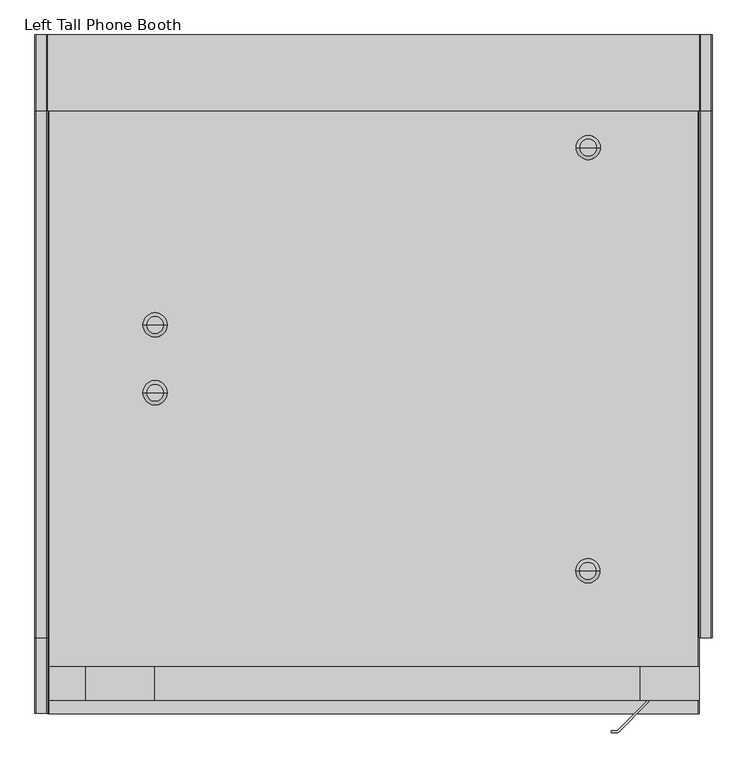
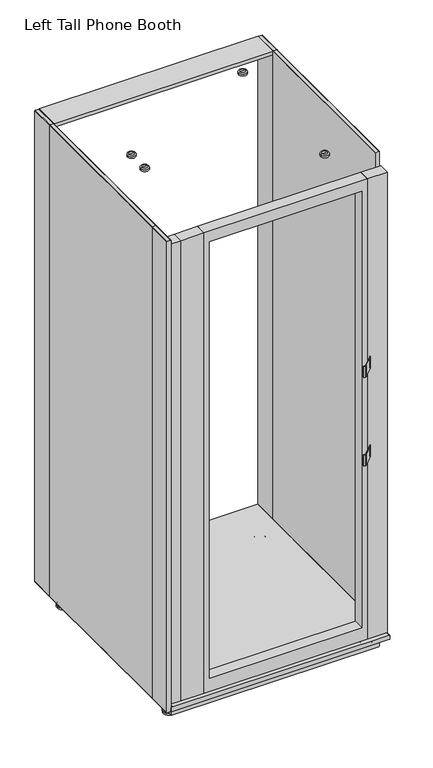
"""IFC4 building model written with IfcOpenShell, lengths in millimetres: furniture geometry, Left Tall Phone Booth."""

from ifc_helpers import new_model, si_unit, point, frame, frame_2d, origin, place, context, project, spatial, polyline, circle_curve, ellipse_curve, trimmed, segment, composite_curve, outline, extrude, source, transform, mapped, element, save
from ifc_brep_helpers import plane_surface, cylinder_surface, revolved_surface, advanced_brep


def left_tall_phone_booth_4348a2ec(model_context):
    return source(origin(), model_context, "Body", "SolidModel", [
        extrude(outline(polyline([(93.8931782, 891.7083189), (2224.9999538, 891.7083189), (2224.9999538, 176.4867809), (93.8931782, 176.4867809), (93.8931782, 891.7083189)]), holes=[polyline([(2176.500041, 200.1951039), (2176.500041, 867.9999959), (155.2071115, 867.9999959), (155.2071115, 200.1951039), (2176.500041, 200.1951039)])]), frame((0.0, -980.5308133, 0.0), z_axis=(0.0, 1.0, 0.0), x_axis=(0.0, 0.0, 1.0)), (0.0, 0.0, 1.0), 49.5308129),
        extrude(outline(composite_curve([segment(polyline([(858.700787, -1024.6936779), (900.7080733, -982.6863916)]), True, "CONTINUOUS"), segment(trimmed(circle_curve(frame_2d((898.7961532, -980.7744716)), 2.7038632), [point((900.7080733, -982.6863916))], [point((901.5000165, -980.7744716))], True, "CARTESIAN"), True, "CONTINUOUS"), segment(polyline([(901.5000165, -980.7744716), (901.5000165, -946.5499967), (904.5000225, -946.5499967), (904.5000225, -980.5447215)]), True, "CONTINUOUS"), segment(trimmed(circle_curve(frame_2d((898.1872512, -980.5447215)), 6.3127714), [point((904.5000225, -980.5447215))], [point((902.6510546, -985.0085249))], False, "CARTESIAN"), True, "CONTINUOUS"), segment(polyline([(902.6510546, -985.0085249), (861.1523046, -1026.507275)]), True, "CONTINUOUS"), segment(trimmed(circle_curve(frame_2d((856.0847848, -1021.4397552)), 7.1665551), [point((861.1523046, -1026.507275))], [point((856.0847848, -1028.6063103))], False, "CARTESIAN"), True, "CONTINUOUS"), segment(polyline([(856.0847848, -1028.6063103), (849.1983482, -1028.6063103), (849.1983482, -1025.4499912), (856.874885, -1025.4499912)]), True, "CONTINUOUS"), segment(trimmed(circle_curve(frame_2d((856.874885, -1022.8677759)), 2.5822153), [point((856.874885, -1025.4499912))], [point((858.700787, -1024.6936779))], True, "CARTESIAN"), True, "CONTINUOUS")], self_intersect=False)), frame((0.0, 0.0, 1348.7294902), z_axis=(0.0, 0.0, 1.0), x_axis=(1.0, 0.0, 0.0)), (0.0, 0.0, 1.0), 50.9449661),
        extrude(outline(composite_curve([segment(polyline([(858.700787, -1024.6936779), (900.7080733, -982.6863916)]), True, "CONTINUOUS"), segment(trimmed(circle_curve(frame_2d((898.7961532, -980.7744716)), 2.7038632), [point((900.7080733, -982.6863916))], [point((901.5000165, -980.7744716))], True, "CARTESIAN"), True, "CONTINUOUS"), segment(polyline([(901.5000165, -980.7744716), (901.5000165, -946.5499967), (904.5000225, -946.5499967), (904.5000225, -980.5447215)]), True, "CONTINUOUS"), segment(trimmed(circle_curve(frame_2d((898.1872512, -980.5447215)), 6.3127714), [point((904.5000225, -980.5447215))], [point((902.6510546, -985.0085249))], False, "CARTESIAN"), True, "CONTINUOUS"), segment(polyline([(902.6510546, -985.0085249), (861.1523046, -1026.507275)]), True, "CONTINUOUS"), segment(trimmed(circle_curve(frame_2d((856.0847848, -1021.4397552)), 7.1665551), [point((861.1523046, -1026.507275))], [point((856.0847848, -1028.6063103))], False, "CARTESIAN"), True, "CONTINUOUS"), segment(polyline([(856.0847848, -1028.6063103), (849.1983482, -1028.6063103), (849.1983482, -1025.4499912), (856.874885, -1025.4499912)]), True, "CONTINUOUS"), segment(trimmed(circle_curve(frame_2d((856.874885, -1022.8677759)), 2.5822153), [point((856.874885, -1025.4499912))], [point((858.700787, -1024.6936779))], True, "CARTESIAN"), True, "CONTINUOUS")], self_intersect=False)), frame((0.0, 0.0, 938.6050768), z_axis=(0.0, 0.0, 1.0), x_axis=(1.0, 0.0, 0.0)), (0.0, 0.0, 1.0), 50.9449661),
        extrude(outline(polyline([(979.0080786, -931.0000005), (979.0080786, -980.5308133), (891.7083189, -980.5308133), (891.7083189, -931.0000005), (979.0080786, -931.0000005)])), frame((0.0, 0.0, 93.8931782), z_axis=(0.0, 0.0, 1.0), x_axis=(1.0, 0.0, 0.0)), (0.0, 0.0, 1.0), 2131.1067756),
        extrude(outline(polyline([(176.4867809, -931.0000005), (176.4867809, -980.5308133), (75.1951039, -980.5308133), (75.1951039, -931.0000005), (176.4867809, -931.0000005)])), frame((0.0, 0.0, 93.8931782), z_axis=(0.0, 0.0, 1.0), x_axis=(1.0, 0.0, 0.0)), (0.0, 0.0, 1.0), 2131.1067756),
        extrude(outline(polyline([(75.1951039, -931.0000005), (75.1951039, -980.5308133), (21.0000149, -980.5308133), (21.0000149, -931.0000005), (75.1951039, -931.0000005)])), frame((0.0, 0.0, 93.8931782), z_axis=(0.0, 0.0, 1.0), x_axis=(1.0, 0.0, 0.0)), (0.0, 0.0, 1.0), 2131.1067756),
        advanced_brep(
        [(159.282524, -427.5, 2253.2305415), (194.8386457, -427.5, 2253.2305415), (194.8386457, -427.5, 2247.199729), (159.282524, -427.5, 2247.199729), (164.282524, -427.5, 2258.2305415), (189.8386457, -427.5, 2258.2305415), (177.0605849, -427.5, 2258.2305415), (177.0605849, -427.5, 2247.199729)],
        [
            (0, 1, circle_curve(frame((177.0605849, -427.5, 2253.2305415), z_axis=(0.0, 0.0, -1.0), x_axis=(1.0, 0.0, 0.0)), 17.7780609)),
            (1, 2),
            (2, 3, circle_curve(frame((177.0605849, -427.5, 2247.199729), z_axis=(0.0, 0.0, 1.0), x_axis=(1.0, 0.0, 0.0)), 17.7780609)),
            (3, 0),
            (1, 0, circle_curve(frame((177.0605849, -427.5, 2253.2305415), z_axis=(0.0, 0.0, -1.0), x_axis=(1.0, 0.0, 0.0)), 17.7780609)),
            (3, 2, circle_curve(frame((177.0605849, -427.5, 2247.199729), z_axis=(0.0, 0.0, 1.0), x_axis=(1.0, 0.0, 0.0)), 17.7780609)),
            (0, 4, circle_curve(frame((164.282524, -427.5, 2253.2305415), z_axis=(0.0, 1.0, 0.0), x_axis=(-1.0, 0.0, 0.0)), 5.0)),
            (4, 5, circle_curve(frame((177.0605849, -427.5, 2258.2305415), z_axis=(0.0, 0.0, -1.0), x_axis=(1.0, 0.0, 0.0)), 12.7780609)),
            (5, 1, circle_curve(frame((189.8386457, -427.5, 2253.2305415), z_axis=(0.0, 1.0, 0.0), x_axis=(1.0, 0.0, 0.0)), 5.0)),
            (5, 4, circle_curve(frame((177.0605849, -427.5, 2258.2305415), z_axis=(0.0, 0.0, -1.0), x_axis=(1.0, 0.0, 0.0)), 12.7780609)),
            (4, 6),
            (6, 5),
            (2, 7),
            (7, 3),
        ],
        [
            cylinder_surface(frame((177.0605849, -427.5, 2250.2287734), z_axis=(0.0, 0.0, 1.0), x_axis=(1.0, 0.0, 0.0)), 17.7780609),
            revolved_surface(trimmed(ellipse_curve(frame((189.8386457, -427.5, 2253.2305415), z_axis=(0.0, -1.0, 0.0), x_axis=(1.0, 0.0, 0.0)), 5.0, 5.0), [point((194.8386457, -427.5, 2253.2305415))], [point((189.8386457, -427.5, 2258.2305415))], True, "CARTESIAN"), (177.0605849, -427.5, 2250.2287734), (0.0, 0.0, 1.0)),
            plane_surface(frame((177.0605849, -427.5, 2258.2305415), z_axis=(0.0, 0.0, 1.0), x_axis=(1.0, 0.0, 0.0))),
            plane_surface(frame((177.0605849, -427.5, 2247.199729), z_axis=(0.0, 0.0, -1.0), x_axis=(1.0, 0.0, 0.0))),
        ],
        [
            (0, [[1, 2, 3, 4]]),
            (0, [[-2, 5, -4, 6]]),
            (1, [[-1, 7, 8, 9]]),
            (1, [[-5, -9, 10, -7]]),
            (2, [[-8, 11, 12]]),
            (2, [[-10, -12, -11]]),
            (3, [[-3, 13, 14]]),
            (3, [[-6, -14, -13]]),
        ],
    ),
        advanced_brep(
        [(159.282524, -527.5, 2253.2305415), (194.8386457, -527.5, 2253.2305415), (194.8386457, -527.5, 2246.6584288), (159.282524, -527.5, 2246.6584288), (164.282524, -527.5, 2258.2305415), (189.8386457, -527.5, 2258.2305415), (177.0605849, -527.5, 2258.2305415), (177.0605849, -527.5, 2246.6584288)],
        [
            (0, 1, circle_curve(frame((177.0605849, -527.5, 2253.2305415), z_axis=(0.0, 0.0, -1.0), x_axis=(1.0, 0.0, 0.0)), 17.7780609)),
            (1, 2),
            (2, 3, circle_curve(frame((177.0605849, -527.5, 2246.6584288), z_axis=(0.0, 0.0, 1.0), x_axis=(1.0, 0.0, 0.0)), 17.7780609)),
            (3, 0),
            (1, 0, circle_curve(frame((177.0605849, -527.5, 2253.2305415), z_axis=(0.0, 0.0, -1.0), x_axis=(1.0, 0.0, 0.0)), 17.7780609)),
            (3, 2, circle_curve(frame((177.0605849, -527.5, 2246.6584288), z_axis=(0.0, 0.0, 1.0), x_axis=(1.0, 0.0, 0.0)), 17.7780609)),
            (0, 4, circle_curve(frame((164.282524, -527.5, 2253.2305415), z_axis=(0.0, 1.0, 0.0), x_axis=(-1.0, 0.0, 0.0)), 5.0)),
            (4, 5, circle_curve(frame((177.0605849, -527.5, 2258.2305415), z_axis=(0.0, 0.0, -1.0), x_axis=(1.0, 0.0, 0.0)), 12.7780609)),
            (5, 1, circle_curve(frame((189.8386457, -527.5, 2253.2305415), z_axis=(0.0, 1.0, 0.0), x_axis=(1.0, 0.0, 0.0)), 5.0)),
            (5, 4, circle_curve(frame((177.0605849, -527.5, 2258.2305415), z_axis=(0.0, 0.0, -1.0), x_axis=(1.0, 0.0, 0.0)), 12.7780609)),
            (4, 6),
            (6, 5),
            (2, 7),
            (7, 3),
        ],
        [
            cylinder_surface(frame((177.0605849, -527.5, 2250.2287734), z_axis=(0.0, 0.0, 1.0), x_axis=(1.0, 0.0, 0.0)), 17.7780609),
            revolved_surface(trimmed(ellipse_curve(frame((189.8386457, -527.5, 2253.2305415), z_axis=(0.0, -1.0, 0.0), x_axis=(1.0, 0.0, 0.0)), 5.0, 5.0), [point((194.8386457, -527.5, 2253.2305415))], [point((189.8386457, -527.5, 2258.2305415))], True, "CARTESIAN"), (177.0605849, -527.5, 2250.2287734), (0.0, 0.0, 1.0)),
            plane_surface(frame((177.0605849, -527.5, 2258.2305415), z_axis=(0.0, 0.0, 1.0), x_axis=(1.0, 0.0, 0.0))),
            plane_surface(frame((177.0605849, -527.5, 2246.6584288), z_axis=(0.0, 0.0, -1.0), x_axis=(1.0, 0.0, 0.0))),
        ],
        [
            (0, [[1, 2, 3, 4]]),
            (0, [[-2, 5, -4, 6]]),
            (1, [[-1, 7, 8, 9]]),
            (1, [[-5, -9, 10, -7]]),
            (2, [[-8, 11, 12]]),
            (2, [[-10, -12, -11]]),
            (3, [[-3, 13, 14]]),
            (3, [[-6, -14, -13]]),
        ],
    ),
        advanced_brep(
        [(797.712596, -165.9790359, 2253.2305415), (833.2687177, -165.9790359, 2253.2305415), (833.2687177, -165.9790359, 2246.4547116), (797.712596, -165.9790359, 2246.4547116), (802.712596, -165.9790359, 2258.2305415), (828.2687177, -165.9790359, 2258.2305415), (815.4906568, -165.9790359, 2258.2305415), (815.4906568, -165.9790359, 2246.4547116)],
        [
            (0, 1, circle_curve(frame((815.4906568, -165.9790359, 2253.2305415), z_axis=(0.0, 0.0, -1.0), x_axis=(1.0, 0.0, 0.0)), 17.7780609)),
            (1, 2),
            (2, 3, circle_curve(frame((815.4906568, -165.9790359, 2246.4547116), z_axis=(0.0, 0.0, 1.0), x_axis=(1.0, 0.0, 0.0)), 17.7780609)),
            (3, 0),
            (1, 0, circle_curve(frame((815.4906568, -165.9790359, 2253.2305415), z_axis=(0.0, 0.0, -1.0), x_axis=(1.0, 0.0, 0.0)), 17.7780609)),
            (3, 2, circle_curve(frame((815.4906568, -165.9790359, 2246.4547116), z_axis=(0.0, 0.0, 1.0), x_axis=(1.0, 0.0, 0.0)), 17.7780609)),
            (0, 4, circle_curve(frame((802.712596, -165.9790359, 2253.2305415), z_axis=(0.0, 1.0, 0.0), x_axis=(-1.0, 0.0, 0.0)), 5.0)),
            (4, 5, circle_curve(frame((815.4906568, -165.9790359, 2258.2305415), z_axis=(0.0, 0.0, -1.0), x_axis=(1.0, 0.0, 0.0)), 12.7780609)),
            (5, 1, circle_curve(frame((828.2687177, -165.9790359, 2253.2305415), z_axis=(0.0, 1.0, 0.0), x_axis=(1.0, 0.0, 0.0)), 5.0)),
            (5, 4, circle_curve(frame((815.4906568, -165.9790359, 2258.2305415), z_axis=(0.0, 0.0, -1.0), x_axis=(1.0, 0.0, 0.0)), 12.7780609)),
            (4, 6),
            (6, 5),
            (2, 7),
            (7, 3),
        ],
        [
            cylinder_surface(frame((815.4906568, -165.9790359, 2250.2287734), z_axis=(0.0, 0.0, 1.0), x_axis=(1.0, 0.0, 0.0)), 17.7780609),
            revolved_surface(trimmed(ellipse_curve(frame((828.2687177, -165.9790359, 2253.2305415), z_axis=(0.0, -1.0, 0.0), x_axis=(1.0, 0.0, 0.0)), 5.0, 5.0), [point((833.2687177, -165.9790359, 2253.2305415))], [point((828.2687177, -165.9790359, 2258.2305415))], True, "CARTESIAN"), (815.4906568, -165.9790359, 2250.2287734), (0.0, 0.0, 1.0)),
            plane_surface(frame((815.4906568, -165.9790359, 2258.2305415), z_axis=(0.0, 0.0, 1.0), x_axis=(1.0, 0.0, 0.0))),
            plane_surface(frame((815.4906568, -165.9790359, 2246.4547116), z_axis=(0.0, 0.0, -1.0), x_axis=(1.0, 0.0, 0.0))),
        ],
        [
            (0, [[1, 2, 3, 4]]),
            (0, [[-2, 5, -4, 6]]),
            (1, [[-1, 7, 8, 9]]),
            (1, [[-5, -9, 10, -7]]),
            (2, [[-8, 11, 12]]),
            (2, [[-10, -12, -11]]),
            (3, [[-3, 13, 14]]),
            (3, [[-6, -14, -13]]),
        ],
    ),
        advanced_brep(
        [(797.1029537, -790.0037672, 2253.2305415), (832.6590755, -790.0037672, 2253.2305415), (832.6590755, -790.0037672, 2246.0933666), (797.1029537, -790.0037672, 2246.0933666), (802.1029537, -790.0037672, 2258.2305415), (827.6590755, -790.0037672, 2258.2305415), (814.8810146, -790.0037672, 2258.2305415), (814.8810146, -790.0037672, 2246.0933666)],
        [
            (0, 1, circle_curve(frame((814.8810146, -790.0037672, 2253.2305415), z_axis=(0.0, 0.0, -1.0), x_axis=(1.0, 0.0, 0.0)), 17.7780609)),
            (1, 2),
            (2, 3, circle_curve(frame((814.8810146, -790.0037672, 2246.0933666), z_axis=(0.0, 0.0, 1.0), x_axis=(1.0, 0.0, 0.0)), 17.7780609)),
            (3, 0),
            (1, 0, circle_curve(frame((814.8810146, -790.0037672, 2253.2305415), z_axis=(0.0, 0.0, -1.0), x_axis=(1.0, 0.0, 0.0)), 17.7780609)),
            (3, 2, circle_curve(frame((814.8810146, -790.0037672, 2246.0933666), z_axis=(0.0, 0.0, 1.0), x_axis=(1.0, 0.0, 0.0)), 17.7780609)),
            (0, 4, circle_curve(frame((802.1029537, -790.0037672, 2253.2305415), z_axis=(0.0, 1.0, 0.0), x_axis=(-1.0, 0.0, 0.0)), 5.0)),
            (4, 5, circle_curve(frame((814.8810146, -790.0037672, 2258.2305415), z_axis=(0.0, 0.0, -1.0), x_axis=(1.0, 0.0, 0.0)), 12.7780609)),
            (5, 1, circle_curve(frame((827.6590755, -790.0037672, 2253.2305415), z_axis=(0.0, 1.0, 0.0), x_axis=(1.0, 0.0, 0.0)), 5.0)),
            (5, 4, circle_curve(frame((814.8810146, -790.0037672, 2258.2305415), z_axis=(0.0, 0.0, -1.0), x_axis=(1.0, 0.0, 0.0)), 12.7780609)),
            (4, 6),
            (6, 5),
            (2, 7),
            (7, 3),
        ],
        [
            cylinder_surface(frame((814.8810146, -790.0037672, 2250.2287734), z_axis=(0.0, 0.0, 1.0), x_axis=(1.0, 0.0, 0.0)), 17.7780609),
            revolved_surface(trimmed(ellipse_curve(frame((827.6590755, -790.0037672, 2253.2305415), z_axis=(0.0, -1.0, 0.0), x_axis=(1.0, 0.0, 0.0)), 5.0, 5.0), [point((832.6590755, -790.0037672, 2253.2305415))], [point((827.6590755, -790.0037672, 2258.2305415))], True, "CARTESIAN"), (814.8810146, -790.0037672, 2250.2287734), (0.0, 0.0, 1.0)),
            plane_surface(frame((814.8810146, -790.0037672, 2258.2305415), z_axis=(0.0, 0.0, 1.0), x_axis=(1.0, 0.0, 0.0))),
            plane_surface(frame((814.8810146, -790.0037672, 2246.0933666), z_axis=(0.0, 0.0, -1.0), x_axis=(1.0, 0.0, 0.0))),
        ],
        [
            (0, [[1, 2, 3, 4]]),
            (0, [[-2, 5, -4, 6]]),
            (1, [[-1, 7, 8, 9]]),
            (1, [[-5, -9, 10, -7]]),
            (2, [[-8, 11, 12]]),
            (2, [[-10, -12, -11]]),
            (3, [[-3, 13, 14]]),
            (3, [[-6, -14, -13]]),
        ],
    ),
        extrude(outline(composite_curve([segment(polyline([(93.8931782, 977.06721), (93.8931782, 20.9919174)]), True, "CONTINUOUS"), segment(trimmed(circle_curve(frame_2d((91.8931782, 20.9919174)), 2.0), [point((93.8931782, 20.9919174))], [point((91.8931782, 18.9919174))], False, "CARTESIAN"), True, "CONTINUOUS"), segment(polyline([(91.8931782, 18.9919174), (77.0000011, 18.9919174)]), True, "CONTINUOUS"), segment(trimmed(circle_curve(frame_2d((77.0000011, 20.9919174)), 2.0), [point((77.0000011, 18.9919174))], [point((75.0000011, 20.9919174))], False, "CARTESIAN"), True, "CONTINUOUS"), segment(polyline([(75.0000011, 20.9919174), (75.0000011, 977.06721)]), True, "CONTINUOUS"), segment(trimmed(circle_curve(frame_2d((77.0000011, 977.06721)), 2.0), [point((75.0000011, 977.06721))], [point((77.0000011, 979.06721))], False, "CARTESIAN"), True, "CONTINUOUS"), segment(polyline([(77.0000011, 979.06721), (91.8931782, 979.06721)]), True, "CONTINUOUS"), segment(trimmed(circle_curve(frame_2d((91.8931782, 977.06721)), 2.0), [point((91.8931782, 979.06721))], [point((93.8931782, 977.06721))], False, "CARTESIAN"), True, "CONTINUOUS")], self_intersect=False)), frame((0.0, -1000.0000005, 0.0), z_axis=(0.0, 1.0, 0.0), x_axis=(0.0, 0.0, 1.0)), (0.0, 0.0, 1.0), 1000.0000005),
        extrude(outline(composite_curve([segment(polyline([(74.9138854, 955.9761665), (74.9138854, 41.9999957), (26.9201986, 41.9999957)]), True, "CONTINUOUS"), segment(trimmed(circle_curve(frame_2d((26.9201986, 43.9072422)), 1.9072465), [point((26.9201986, 41.9999957))], [point((25.012952, 43.9072422))], False, "CARTESIAN"), True, "CONTINUOUS"), segment(polyline([(25.012952, 43.9072422), (25.012952, 954.0849859)]), True, "CONTINUOUS"), segment(trimmed(circle_curve(frame_2d((26.9041327, 954.0849859)), 1.8911806), [point((25.012952, 954.0849859))], [point((26.9041327, 955.9761665))], False, "CARTESIAN"), True, "CONTINUOUS"), segment(polyline([(26.9041327, 955.9761665), (74.9138854, 955.9761665)]), True, "CONTINUOUS")], self_intersect=False)), frame((0.0, -960.4546577, 0.0), z_axis=(0.0, 1.0, 0.0), x_axis=(0.0, 0.0, 1.0)), (0.0, 0.0, 1.0), 917.5265293),
        extrude(outline(polyline([(979.0080786, 0.0), (979.0080786, -112.0676928), (18.9919174, -112.0676928), (18.9919174, 0.0), (979.0080786, 0.0)])), frame((0.0, 0.0, 2242.7287734), z_axis=(0.0, 0.0, 1.0), x_axis=(1.0, 0.0, 0.0)), (0.0, 0.0, 1.0), 17.2711803),
        extrude(outline(composite_curve([segment(trimmed(circle_curve(frame_2d((2257.9999538, 981.0080786)), 2.0), [point((2259.9999538, 981.0080786))], [point((2257.9999538, 979.0080786))], False, "CARTESIAN"), True, "CONTINUOUS"), segment(polyline([(2257.9999538, 979.0080786), (77.0000011, 979.0080786)]), True, "CONTINUOUS"), segment(trimmed(circle_curve(frame_2d((77.0000011, 981.0080786)), 2.0), [point((77.0000011, 979.0080786))], [point((75.0000011, 981.0080786))], False, "CARTESIAN"), True, "CONTINUOUS"), segment(polyline([(75.0000011, 981.0080786), (75.0000011, 995.9999959)]), True, "CONTINUOUS"), segment(trimmed(circle_curve(frame_2d((77.0000011, 995.9999959)), 2.0), [point((75.0000011, 995.9999959))], [point((77.0000011, 997.9999959))], False, "CARTESIAN"), True, "CONTINUOUS"), segment(polyline([(77.0000011, 997.9999959), (2257.9999538, 997.9999959)]), True, "CONTINUOUS"), segment(trimmed(circle_curve(frame_2d((2257.9999538, 995.9999959)), 2.0), [point((2257.9999538, 997.9999959))], [point((2259.9999538, 995.9999959))], False, "CARTESIAN"), True, "CONTINUOUS"), segment(polyline([(2259.9999538, 995.9999959), (2259.9999538, 981.0080786)]), True, "CONTINUOUS")], self_intersect=False)), frame((0.0, -888.7290806, 0.0), z_axis=(0.0, 1.0, 0.0), x_axis=(0.0, 0.0, 1.0)), (0.0, 0.0, 1.0), 776.536827),
        extrude(outline(composite_curve([segment(polyline([(2259.9999538, 16.9919174), (2259.9999538, 2.0)]), True, "CONTINUOUS"), segment(trimmed(circle_curve(frame_2d((2257.9999538, 2.0)), 2.0), [point((2259.9999538, 2.0))], [point((2257.9999538, 0.0))], False, "CARTESIAN"), True, "CONTINUOUS"), segment(polyline([(2257.9999538, 0.0), (77.0000011, 0.0)]), True, "CONTINUOUS"), segment(trimmed(circle_curve(frame_2d((77.0000011, 2.0)), 2.0), [point((77.0000011, 0.0))], [point((75.0000011, 2.0))], False, "CARTESIAN"), True, "CONTINUOUS"), segment(polyline([(75.0000011, 2.0), (75.0000011, 16.9919174)]), True, "CONTINUOUS"), segment(trimmed(circle_curve(frame_2d((77.0000011, 16.9919174)), 2.0), [point((75.0000011, 16.9919174))], [point((77.0000011, 18.9919174))], False, "CARTESIAN"), True, "CONTINUOUS"), segment(polyline([(77.0000011, 18.9919174), (2257.9999538, 18.9919174)]), True, "CONTINUOUS"), segment(trimmed(circle_curve(frame_2d((2257.9999538, 16.9919174)), 2.0), [point((2257.9999538, 18.9919174))], [point((2259.9999538, 16.9919174))], False, "CARTESIAN"), True, "CONTINUOUS")], self_intersect=False)), frame((0.0, -888.7290806, 0.0), z_axis=(0.0, 1.0, 0.0), x_axis=(0.0, 0.0, 1.0)), (0.0, 0.0, 1.0), 776.536827),
        extrude(outline(composite_curve([segment(trimmed(circle_curve(frame_2d((2257.9999538, 981.0080786)), 2.0), [point((2259.9999538, 981.0080786))], [point((2257.9999538, 979.0080786))], False, "CARTESIAN"), True, "CONTINUOUS"), segment(polyline([(2257.9999538, 979.0080786), (77.0000011, 979.0080786)]), True, "CONTINUOUS"), segment(trimmed(circle_curve(frame_2d((77.0000011, 981.0080786)), 2.0), [point((77.0000011, 979.0080786))], [point((75.0000011, 981.0080786))], False, "CARTESIAN"), True, "CONTINUOUS"), segment(polyline([(75.0000011, 981.0080786), (75.0000011, 995.9999959)]), True, "CONTINUOUS"), segment(trimmed(circle_curve(frame_2d((77.0000011, 995.9999959)), 2.0), [point((75.0000011, 995.9999959))], [point((77.0000011, 997.9999959))], False, "CARTESIAN"), True, "CONTINUOUS"), segment(polyline([(77.0000011, 997.9999959), (2257.9999538, 997.9999959)]), True, "CONTINUOUS"), segment(trimmed(circle_curve(frame_2d((2257.9999538, 995.9999959)), 2.0), [point((2257.9999538, 997.9999959))], [point((2259.9999538, 995.9999959))], False, "CARTESIAN"), True, "CONTINUOUS"), segment(polyline([(2259.9999538, 995.9999959), (2259.9999538, 981.0080786)]), True, "CONTINUOUS")], self_intersect=False)), frame((0.0, -112.1922535, 0.0), z_axis=(0.0, 1.0, 0.0), x_axis=(0.0, 0.0, 1.0)), (0.0, 0.0, 1.0), 112.0676928),
        extrude(outline(composite_curve([segment(polyline([(2259.9999538, 16.9919174), (2259.9999538, 2.0)]), True, "CONTINUOUS"), segment(trimmed(circle_curve(frame_2d((2257.9999538, 2.0)), 2.0), [point((2259.9999538, 2.0))], [point((2257.9999538, 0.0))], False, "CARTESIAN"), True, "CONTINUOUS"), segment(polyline([(2257.9999538, 0.0), (77.0000011, 0.0)]), True, "CONTINUOUS"), segment(trimmed(circle_curve(frame_2d((77.0000011, 2.0)), 2.0), [point((77.0000011, 0.0))], [point((75.0000011, 2.0))], False, "CARTESIAN"), True, "CONTINUOUS"), segment(polyline([(75.0000011, 2.0), (75.0000011, 16.9919174)]), True, "CONTINUOUS"), segment(trimmed(circle_curve(frame_2d((77.0000011, 16.9919174)), 2.0), [point((75.0000011, 16.9919174))], [point((77.0000011, 18.9919174))], False, "CARTESIAN"), True, "CONTINUOUS"), segment(polyline([(77.0000011, 18.9919174), (2257.9999538, 18.9919174)]), True, "CONTINUOUS"), segment(trimmed(circle_curve(frame_2d((2257.9999538, 16.9919174)), 2.0), [point((2257.9999538, 18.9919174))], [point((2259.9999538, 16.9919174))], False, "CARTESIAN"), True, "CONTINUOUS")], self_intersect=False)), frame((0.0, -112.1922535, 0.0), z_axis=(0.0, 1.0, 0.0), x_axis=(0.0, 0.0, 1.0)), (0.0, 0.0, 1.0), 112.0676928),
        extrude(outline(composite_curve([segment(polyline([(2259.9999538, 16.9919174), (2259.9999538, 2.0)]), True, "CONTINUOUS"), segment(trimmed(circle_curve(frame_2d((2257.9999538, 2.0)), 2.0), [point((2259.9999538, 2.0))], [point((2257.9999538, 0.0))], False, "CARTESIAN"), True, "CONTINUOUS"), segment(polyline([(2257.9999538, 0.0), (77.0000011, 0.0)]), True, "CONTINUOUS"), segment(trimmed(circle_curve(frame_2d((77.0000011, 2.0)), 2.0), [point((77.0000011, 0.0))], [point((75.0000011, 2.0))], False, "CARTESIAN"), True, "CONTINUOUS"), segment(polyline([(75.0000011, 2.0), (75.0000011, 16.9919174)]), True, "CONTINUOUS"), segment(trimmed(circle_curve(frame_2d((77.0000011, 16.9919174)), 2.0), [point((75.0000011, 16.9919174))], [point((77.0000011, 18.9919174))], False, "CARTESIAN"), True, "CONTINUOUS"), segment(polyline([(77.0000011, 18.9919174), (2257.9999538, 18.9919174)]), True, "CONTINUOUS"), segment(trimmed(circle_curve(frame_2d((2257.9999538, 16.9919174)), 2.0), [point((2257.9999538, 18.9919174))], [point((2259.9999538, 16.9919174))], False, "CARTESIAN"), True, "CONTINUOUS")], self_intersect=False)), frame((0.0, -1000.0000005, 0.0), z_axis=(0.0, 1.0, 0.0), x_axis=(0.0, 0.0, 1.0)), (0.0, 0.0, 1.0), 111.2709199),
        advanced_brep(
        [(956.1946442, -902.5, 0.0), (906.3674645, -902.5, 0.0), (931.2810543, -902.5, 0.0), (957.5770569, -902.5, 8.9334072), (904.9850517, -902.5, 8.9334072), (956.6788012, -902.5, 9.9813561), (905.8833074, -902.5, 9.9813561), (938.518112, -902.5, 9.9813561), (924.0439966, -902.5, 9.9813561), (936.6097587, -902.5, 11.0000074), (925.95235, -902.5, 11.0000074), (938.0214943, -902.5, 11.0000074), (924.5406143, -902.5, 11.0000074), (938.0214943, -902.5, 14.5024223), (924.5406143, -902.5, 14.5024223), (935.4664737, -902.5, 14.5024223), (927.0956349, -902.5, 14.5024223), (935.4664737, -902.5, 25.0), (927.0956349, -902.5, 25.0), (931.2810543, -902.5, 25.0)],
        [
            (0, 1, circle_curve(frame((931.2810543, -902.5, 0.0), z_axis=(0.0, 0.0, -1.0), x_axis=(-1.0, 0.0, 0.0)), 24.9135898)),
            (1, 2),
            (2, 0),
            (1, 0, circle_curve(frame((931.2810543, -902.5, 0.0), z_axis=(0.0, 0.0, -1.0), x_axis=(-1.0, 0.0, 0.0)), 24.9135898)),
            (3, 4, circle_curve(frame((931.2810543, -902.5, 8.9334072), z_axis=(0.0, 0.0, -1.0), x_axis=(-1.0, 0.0, 0.0)), 26.2960026)),
            (4, 1),
            (0, 3),
            (4, 3, circle_curve(frame((931.2810543, -902.5, 8.9334072), z_axis=(0.0, 0.0, -1.0), x_axis=(-1.0, 0.0, 0.0)), 26.2960026)),
            (5, 6, circle_curve(frame((931.2810543, -902.5, 9.9813561), z_axis=(0.0, 0.0, -1.0), x_axis=(-1.0, 0.0, 0.0)), 25.3977469)),
            (6, 4, circle_curve(frame((905.8833074, -902.5, 9.0724091), z_axis=(0.0, -1.0, 0.0), x_axis=(-1.0, 0.0, 0.0)), 0.9089471)),
            (3, 5, circle_curve(frame((956.6788012, -902.5, 9.0724091), z_axis=(0.0, -1.0, 0.0), x_axis=(1.0, 0.0, 0.0)), 0.9089471)),
            (6, 5, circle_curve(frame((931.2810543, -902.5, 9.9813561), z_axis=(0.0, 0.0, -1.0), x_axis=(-1.0, 0.0, 0.0)), 25.3977469)),
            (7, 8, circle_curve(frame((931.2810543, -902.5, 9.9813561), z_axis=(0.0, 0.0, -1.0), x_axis=(-1.0, 0.0, 0.0)), 7.2370577)),
            (8, 6),
            (5, 7),
            (8, 7, circle_curve(frame((931.2810543, -902.5, 9.9813561), z_axis=(0.0, 0.0, -1.0), x_axis=(-1.0, 0.0, 0.0)), 7.2370577)),
            (9, 10, circle_curve(frame((931.2810543, -902.5, 11.0000074), z_axis=(0.0, 0.0, -1.0), x_axis=(-1.0, 0.0, 0.0)), 5.3287044)),
            (10, 8),
            (7, 9),
            (10, 9, circle_curve(frame((931.2810543, -902.5, 11.0000074), z_axis=(0.0, 0.0, -1.0), x_axis=(-1.0, 0.0, 0.0)), 5.3287044)),
            (11, 12, circle_curve(frame((931.2810543, -902.5, 11.0000074), z_axis=(0.0, 0.0, -1.0), x_axis=(-1.0, 0.0, 0.0)), 6.74044)),
            (12, 10),
            (9, 11),
            (12, 11, circle_curve(frame((931.2810543, -902.5, 11.0000074), z_axis=(0.0, 0.0, -1.0), x_axis=(-1.0, 0.0, 0.0)), 6.74044)),
            (13, 14, circle_curve(frame((931.2810543, -902.5, 14.5024223), z_axis=(0.0, 0.0, -1.0), x_axis=(-1.0, 0.0, 0.0)), 6.74044)),
            (14, 12),
            (11, 13),
            (14, 13, circle_curve(frame((931.2810543, -902.5, 14.5024223), z_axis=(0.0, 0.0, -1.0), x_axis=(-1.0, 0.0, 0.0)), 6.74044)),
            (15, 16, circle_curve(frame((931.2810543, -902.5, 14.5024223), z_axis=(0.0, 0.0, -1.0), x_axis=(-1.0, 0.0, 0.0)), 4.1854194)),
            (16, 14),
            (13, 15),
            (16, 15, circle_curve(frame((931.2810543, -902.5, 14.5024223), z_axis=(0.0, 0.0, -1.0), x_axis=(-1.0, 0.0, 0.0)), 4.1854194)),
            (17, 18, circle_curve(frame((931.2810543, -902.5, 25.0), z_axis=(0.0, 0.0, -1.0), x_axis=(-1.0, 0.0, 0.0)), 4.1854194)),
            (18, 16),
            (15, 17),
            (18, 17, circle_curve(frame((931.2810543, -902.5, 25.0), z_axis=(0.0, 0.0, -1.0), x_axis=(-1.0, 0.0, 0.0)), 4.1854194)),
            (19, 18),
            (17, 19),
        ],
        [
            plane_surface(frame((931.2810543, -902.5, 0.0), z_axis=(0.0, 0.0, -1.0), x_axis=(-1.0, 0.0, 0.0))),
            revolved_surface(polyline([(906.3674645, -902.5, 0.0), (904.9850517, -902.5, 8.9334072)]), (931.2810543, -902.5, 25.0), (0.0, 0.0, 1.0)),
            revolved_surface(trimmed(ellipse_curve(frame((905.8833074, -902.5, 9.0724091), z_axis=(0.0, 1.0, 0.0), x_axis=(-1.0, 0.0, 0.0)), 0.9089471, 0.9089471), [point((904.9850517, -902.5, 8.9334072))], [point((905.8833074, -902.5, 9.9813561))], True, "CARTESIAN"), (931.2810543, -902.5, 25.0), (0.0, 0.0, 1.0)),
            plane_surface(frame((931.2810543, -902.5, 9.9813561), z_axis=(0.0, 0.0, 1.0), x_axis=(-1.0, 0.0, 0.0))),
            revolved_surface(polyline([(924.0439966, -902.5, 9.9813561), (925.95235, -902.5, 11.0000074)]), (931.2810543, -902.5, 25.0), (0.0, 0.0, 1.0)),
            plane_surface(frame((931.2810543, -902.5, 11.0000074), z_axis=(0.0, 0.0, -1.0), x_axis=(-1.0, 0.0, 0.0))),
            cylinder_surface(frame((931.2810543, -902.5, 25.0), z_axis=(0.0, 0.0, 1.0), x_axis=(-1.0, 0.0, 0.0)), 6.74044),
            plane_surface(frame((931.2810543, -902.5, 14.5024223), z_axis=(0.0, 0.0, 1.0), x_axis=(-1.0, 0.0, 0.0))),
            cylinder_surface(frame((931.2810543, -902.5, 25.0), z_axis=(0.0, 0.0, 1.0), x_axis=(-1.0, 0.0, 0.0)), 4.1854194),
            plane_surface(frame((931.2810543, -902.5, 25.0), z_axis=(0.0, 0.0, 1.0), x_axis=(-1.0, 0.0, 0.0))),
        ],
        [
            (0, [[1, 2, 3]]),
            (0, [[4, -3, -2]]),
            (1, [[5, 6, -1, 7]]),
            (1, [[8, -7, -4, -6]]),
            (2, [[9, 10, -5, 11]]),
            (2, [[12, -11, -8, -10]]),
            (3, [[13, 14, -9, 15]]),
            (3, [[16, -15, -12, -14]]),
            (4, [[17, 18, -13, 19]]),
            (4, [[20, -19, -16, -18]]),
            (5, [[21, 22, -17, 23]]),
            (5, [[24, -23, -20, -22]]),
            (6, [[25, 26, -21, 27]]),
            (6, [[28, -27, -24, -26]]),
            (7, [[29, 30, -25, 31]]),
            (7, [[32, -31, -28, -30]]),
            (8, [[33, 34, -29, 35]]),
            (8, [[36, -35, -32, -34]]),
            (9, [[37, -33, 38]]),
            (9, [[-38, -36, -37]]),
        ],
    ),
        advanced_brep(
        [(66.8439457, -902.5, 0.0), (91.7575355, -902.5, 0.0), (41.9303558, -902.5, 0.0), (93.1399483, -902.5, 8.9334072), (40.5479431, -902.5, 8.9334072), (92.2416926, -902.5, 9.9813561), (41.4461988, -902.5, 9.9813561), (74.0810034, -902.5, 9.9813561), (59.606888, -902.5, 9.9813561), (72.17265, -902.5, 11.0000074), (61.5152413, -902.5, 11.0000074), (73.5843857, -902.5, 11.0000074), (60.1035057, -902.5, 11.0000074), (73.5843857, -902.5, 14.5024223), (60.1035057, -902.5, 14.5024223), (71.0293651, -902.5, 14.5024223), (62.6585263, -902.5, 14.5024223), (71.0293651, -902.5, 25.0), (62.6585263, -902.5, 25.0), (66.8439457, -902.5, 25.0)],
        [
            (0, 1),
            (1, 2, circle_curve(frame((66.8439457, -902.5, 0.0), z_axis=(0.0, 0.0, -1.0), x_axis=(1.0, 0.0, 0.0)), 24.9135898)),
            (2, 0),
            (2, 1, circle_curve(frame((66.8439457, -902.5, 0.0), z_axis=(0.0, 0.0, -1.0), x_axis=(1.0, 0.0, 0.0)), 24.9135898)),
            (1, 3),
            (3, 4, circle_curve(frame((66.8439457, -902.5, 8.9334072), z_axis=(0.0, 0.0, -1.0), x_axis=(1.0, 0.0, 0.0)), 26.2960026)),
            (4, 2),
            (4, 3, circle_curve(frame((66.8439457, -902.5, 8.9334072), z_axis=(0.0, 0.0, -1.0), x_axis=(1.0, 0.0, 0.0)), 26.2960026)),
            (3, 5, circle_curve(frame((92.2416926, -902.5, 9.0724091), z_axis=(0.0, -1.0, 0.0), x_axis=(1.0, 0.0, 0.0)), 0.9089471)),
            (5, 6, circle_curve(frame((66.8439457, -902.5, 9.9813561), z_axis=(0.0, 0.0, -1.0), x_axis=(1.0, 0.0, 0.0)), 25.3977469)),
            (6, 4, circle_curve(frame((41.4461988, -902.5, 9.0724091), z_axis=(0.0, -1.0, 0.0), x_axis=(-1.0, 0.0, 0.0)), 0.9089471)),
            (6, 5, circle_curve(frame((66.8439457, -902.5, 9.9813561), z_axis=(0.0, 0.0, -1.0), x_axis=(1.0, 0.0, 0.0)), 25.3977469)),
            (5, 7),
            (7, 8, circle_curve(frame((66.8439457, -902.5, 9.9813561), z_axis=(0.0, 0.0, -1.0), x_axis=(1.0, 0.0, 0.0)), 7.2370577)),
            (8, 6),
            (8, 7, circle_curve(frame((66.8439457, -902.5, 9.9813561), z_axis=(0.0, 0.0, -1.0), x_axis=(1.0, 0.0, 0.0)), 7.2370577)),
            (7, 9),
            (9, 10, circle_curve(frame((66.8439457, -902.5, 11.0000074), z_axis=(0.0, 0.0, -1.0), x_axis=(1.0, 0.0, 0.0)), 5.3287044)),
            (10, 8),
            (10, 9, circle_curve(frame((66.8439457, -902.5, 11.0000074), z_axis=(0.0, 0.0, -1.0), x_axis=(1.0, 0.0, 0.0)), 5.3287044)),
            (9, 11),
            (11, 12, circle_curve(frame((66.8439457, -902.5, 11.0000074), z_axis=(0.0, 0.0, -1.0), x_axis=(1.0, 0.0, 0.0)), 6.74044)),
            (12, 10),
            (12, 11, circle_curve(frame((66.8439457, -902.5, 11.0000074), z_axis=(0.0, 0.0, -1.0), x_axis=(1.0, 0.0, 0.0)), 6.74044)),
            (11, 13),
            (13, 14, circle_curve(frame((66.8439457, -902.5, 14.5024223), z_axis=(0.0, 0.0, -1.0), x_axis=(1.0, 0.0, 0.0)), 6.74044)),
            (14, 12),
            (14, 13, circle_curve(frame((66.8439457, -902.5, 14.5024223), z_axis=(0.0, 0.0, -1.0), x_axis=(1.0, 0.0, 0.0)), 6.74044)),
            (13, 15),
            (15, 16, circle_curve(frame((66.8439457, -902.5, 14.5024223), z_axis=(0.0, 0.0, -1.0), x_axis=(1.0, 0.0, 0.0)), 4.1854194)),
            (16, 14),
            (16, 15, circle_curve(frame((66.8439457, -902.5, 14.5024223), z_axis=(0.0, 0.0, -1.0), x_axis=(1.0, 0.0, 0.0)), 4.1854194)),
            (15, 17),
            (17, 18, circle_curve(frame((66.8439457, -902.5, 25.0), z_axis=(0.0, 0.0, -1.0), x_axis=(1.0, 0.0, 0.0)), 4.1854194)),
            (18, 16),
            (18, 17, circle_curve(frame((66.8439457, -902.5, 25.0), z_axis=(0.0, 0.0, -1.0), x_axis=(1.0, 0.0, 0.0)), 4.1854194)),
            (17, 19),
            (19, 18),
        ],
        [
            plane_surface(frame((66.8439457, -902.5, 0.0), z_axis=(0.0, 0.0, -1.0), x_axis=(1.0, 0.0, 0.0))),
            revolved_surface(polyline([(93.1399483, -902.5, 8.9334072), (91.7575355, -902.5, 0.0)]), (66.8439457, -902.5, 25.0), (0.0, 0.0, -1.0)),
            revolved_surface(trimmed(ellipse_curve(frame((92.2416926, -902.5, 9.0724091), z_axis=(0.0, 1.0, 0.0), x_axis=(1.0, 0.0, 0.0)), 0.9089471, 0.9089471), [point((92.2416926, -902.5, 9.9813561))], [point((93.1399483, -902.5, 8.9334072))], True, "CARTESIAN"), (66.8439457, -902.5, 25.0), (0.0, 0.0, -1.0)),
            plane_surface(frame((66.8439457, -902.5, 9.9813561), z_axis=(0.0, 0.0, 1.0), x_axis=(1.0, 0.0, 0.0))),
            revolved_surface(polyline([(72.17265, -902.5, 11.0000074), (74.0810034, -902.5, 9.9813561)]), (66.8439457, -902.5, 25.0), (0.0, 0.0, -1.0)),
            plane_surface(frame((66.8439457, -902.5, 11.0000074), z_axis=(0.0, 0.0, -1.0), x_axis=(1.0, 0.0, 0.0))),
            cylinder_surface(frame((66.8439457, -902.5, 25.0), z_axis=(0.0, 0.0, -1.0), x_axis=(1.0, 0.0, 0.0)), 6.74044),
            plane_surface(frame((66.8439457, -902.5, 14.5024223), z_axis=(0.0, 0.0, 1.0), x_axis=(1.0, 0.0, 0.0))),
            cylinder_surface(frame((66.8439457, -902.5, 25.0), z_axis=(0.0, 0.0, -1.0), x_axis=(1.0, 0.0, 0.0)), 4.1854194),
            plane_surface(frame((66.8439457, -902.5, 25.0), z_axis=(0.0, 0.0, 1.0), x_axis=(1.0, 0.0, 0.0))),
        ],
        [
            (0, [[1, 2, 3]]),
            (0, [[-3, 4, -1]]),
            (1, [[-2, 5, 6, 7]]),
            (1, [[-4, -7, 8, -5]]),
            (2, [[-6, 9, 10, 11]]),
            (2, [[-8, -11, 12, -9]]),
            (3, [[-10, 13, 14, 15]]),
            (3, [[-12, -15, 16, -13]]),
            (4, [[-14, 17, 18, 19]]),
            (4, [[-16, -19, 20, -17]]),
            (5, [[-18, 21, 22, 23]]),
            (5, [[-20, -23, 24, -21]]),
            (6, [[-22, 25, 26, 27]]),
            (6, [[-24, -27, 28, -25]]),
            (7, [[-26, 29, 30, 31]]),
            (7, [[-28, -31, 32, -29]]),
            (8, [[-30, 33, 34, 35]]),
            (8, [[-32, -35, 36, -33]]),
            (9, [[-34, 37, 38]]),
            (9, [[-36, -38, -37]]),
        ],
    ),
        advanced_brep(
        [(931.2810543, -97.5, 0.0), (906.3674645, -97.5, 0.0), (956.1946442, -97.5, 0.0), (904.9850517, -97.5, 8.9334072), (957.5770569, -97.5, 8.9334072), (905.8833074, -97.5, 9.9813561), (956.6788012, -97.5, 9.9813561), (924.0439966, -97.5, 9.9813561), (938.518112, -97.5, 9.9813561), (925.95235, -97.5, 11.0000074), (936.6097587, -97.5, 11.0000074), (924.5406143, -97.5, 11.0000074), (938.0214943, -97.5, 11.0000074), (924.5406143, -97.5, 14.5024223), (938.0214943, -97.5, 14.5024223), (927.0956349, -97.5, 14.5024223), (935.4664737, -97.5, 14.5024223), (927.0956349, -97.5, 25.0), (935.4664737, -97.5, 25.0), (931.2810543, -97.5, 25.0)],
        [
            (0, 1),
            (1, 2, circle_curve(frame((931.2810543, -97.5, 0.0), z_axis=(0.0, 0.0, -1.0), x_axis=(-1.0, 0.0, 0.0)), 24.9135898)),
            (2, 0),
            (2, 1, circle_curve(frame((931.2810543, -97.5, 0.0), z_axis=(0.0, 0.0, -1.0), x_axis=(-1.0, 0.0, 0.0)), 24.9135898)),
            (1, 3),
            (3, 4, circle_curve(frame((931.2810543, -97.5, 8.9334072), z_axis=(0.0, 0.0, -1.0), x_axis=(-1.0, 0.0, 0.0)), 26.2960026)),
            (4, 2),
            (4, 3, circle_curve(frame((931.2810543, -97.5, 8.9334072), z_axis=(0.0, 0.0, -1.0), x_axis=(-1.0, 0.0, 0.0)), 26.2960026)),
            (3, 5, circle_curve(frame((905.8833074, -97.5, 9.0724091), z_axis=(0.0, 1.0, 0.0), x_axis=(-1.0, 0.0, 0.0)), 0.9089471)),
            (5, 6, circle_curve(frame((931.2810543, -97.5, 9.9813561), z_axis=(0.0, 0.0, -1.0), x_axis=(-1.0, 0.0, 0.0)), 25.3977469)),
            (6, 4, circle_curve(frame((956.6788012, -97.5, 9.0724091), z_axis=(0.0, 1.0, 0.0), x_axis=(1.0, 0.0, 0.0)), 0.9089471)),
            (6, 5, circle_curve(frame((931.2810543, -97.5, 9.9813561), z_axis=(0.0, 0.0, -1.0), x_axis=(-1.0, 0.0, 0.0)), 25.3977469)),
            (5, 7),
            (7, 8, circle_curve(frame((931.2810543, -97.5, 9.9813561), z_axis=(0.0, 0.0, -1.0), x_axis=(-1.0, 0.0, 0.0)), 7.2370577)),
            (8, 6),
            (8, 7, circle_curve(frame((931.2810543, -97.5, 9.9813561), z_axis=(0.0, 0.0, -1.0), x_axis=(-1.0, 0.0, 0.0)), 7.2370577)),
            (7, 9),
            (9, 10, circle_curve(frame((931.2810543, -97.5, 11.0000074), z_axis=(0.0, 0.0, -1.0), x_axis=(-1.0, 0.0, 0.0)), 5.3287044)),
            (10, 8),
            (10, 9, circle_curve(frame((931.2810543, -97.5, 11.0000074), z_axis=(0.0, 0.0, -1.0), x_axis=(-1.0, 0.0, 0.0)), 5.3287044)),
            (9, 11),
            (11, 12, circle_curve(frame((931.2810543, -97.5, 11.0000074), z_axis=(0.0, 0.0, -1.0), x_axis=(-1.0, 0.0, 0.0)), 6.74044)),
            (12, 10),
            (12, 11, circle_curve(frame((931.2810543, -97.5, 11.0000074), z_axis=(0.0, 0.0, -1.0), x_axis=(-1.0, 0.0, 0.0)), 6.74044)),
            (11, 13),
            (13, 14, circle_curve(frame((931.2810543, -97.5, 14.5024223), z_axis=(0.0, 0.0, -1.0), x_axis=(-1.0, 0.0, 0.0)), 6.74044)),
            (14, 12),
            (14, 13, circle_curve(frame((931.2810543, -97.5, 14.5024223), z_axis=(0.0, 0.0, -1.0), x_axis=(-1.0, 0.0, 0.0)), 6.74044)),
            (13, 15),
            (15, 16, circle_curve(frame((931.2810543, -97.5, 14.5024223), z_axis=(0.0, 0.0, -1.0), x_axis=(-1.0, 0.0, 0.0)), 4.1854194)),
            (16, 14),
            (16, 15, circle_curve(frame((931.2810543, -97.5, 14.5024223), z_axis=(0.0, 0.0, -1.0), x_axis=(-1.0, 0.0, 0.0)), 4.1854194)),
            (15, 17),
            (17, 18, circle_curve(frame((931.2810543, -97.5, 25.0), z_axis=(0.0, 0.0, -1.0), x_axis=(-1.0, 0.0, 0.0)), 4.1854194)),
            (18, 16),
            (18, 17, circle_curve(frame((931.2810543, -97.5, 25.0), z_axis=(0.0, 0.0, -1.0), x_axis=(-1.0, 0.0, 0.0)), 4.1854194)),
            (17, 19),
            (19, 18),
        ],
        [
            plane_surface(frame((931.2810543, -97.5, 0.0), z_axis=(0.0, 0.0, -1.0), x_axis=(-1.0, 0.0, 0.0))),
            revolved_surface(polyline([(904.9850517, -97.5, 8.9334072), (906.3674645, -97.5, 0.0)]), (931.2810543, -97.5, 25.0), (0.0, 0.0, -1.0)),
            revolved_surface(trimmed(ellipse_curve(frame((905.8833074, -97.5, 9.0724091), z_axis=(0.0, -1.0, 0.0), x_axis=(-1.0, 0.0, 0.0)), 0.9089471, 0.9089471), [point((905.8833074, -97.5, 9.9813561))], [point((904.9850517, -97.5, 8.9334072))], True, "CARTESIAN"), (931.2810543, -97.5, 25.0), (0.0, 0.0, -1.0)),
            plane_surface(frame((931.2810543, -97.5, 9.9813561), z_axis=(0.0, 0.0, 1.0), x_axis=(-1.0, 0.0, 0.0))),
            revolved_surface(polyline([(925.95235, -97.5, 11.0000074), (924.0439966, -97.5, 9.9813561)]), (931.2810543, -97.5, 25.0), (0.0, 0.0, -1.0)),
            plane_surface(frame((931.2810543, -97.5, 11.0000074), z_axis=(0.0, 0.0, -1.0), x_axis=(-1.0, 0.0, 0.0))),
            cylinder_surface(frame((931.2810543, -97.5, 25.0), z_axis=(0.0, 0.0, -1.0), x_axis=(-1.0, 0.0, 0.0)), 6.74044),
            plane_surface(frame((931.2810543, -97.5, 14.5024223), z_axis=(0.0, 0.0, 1.0), x_axis=(-1.0, 0.0, 0.0))),
            cylinder_surface(frame((931.2810543, -97.5, 25.0), z_axis=(0.0, 0.0, -1.0), x_axis=(-1.0, 0.0, 0.0)), 4.1854194),
            plane_surface(frame((931.2810543, -97.5, 25.0), z_axis=(0.0, 0.0, 1.0), x_axis=(-1.0, 0.0, 0.0))),
        ],
        [
            (0, [[1, 2, 3]]),
            (0, [[-3, 4, -1]]),
            (1, [[-2, 5, 6, 7]]),
            (1, [[-4, -7, 8, -5]]),
            (2, [[-6, 9, 10, 11]]),
            (2, [[-8, -11, 12, -9]]),
            (3, [[-10, 13, 14, 15]]),
            (3, [[-12, -15, 16, -13]]),
            (4, [[-14, 17, 18, 19]]),
            (4, [[-16, -19, 20, -17]]),
            (5, [[-18, 21, 22, 23]]),
            (5, [[-20, -23, 24, -21]]),
            (6, [[-22, 25, 26, 27]]),
            (6, [[-24, -27, 28, -25]]),
            (7, [[-26, 29, 30, 31]]),
            (7, [[-28, -31, 32, -29]]),
            (8, [[-30, 33, 34, 35]]),
            (8, [[-32, -35, 36, -33]]),
            (9, [[-34, 37, 38]]),
            (9, [[-36, -38, -37]]),
        ],
    ),
        advanced_brep(
        [(41.9303558, -97.5, 0.0), (91.7575355, -97.5, 0.0), (66.8439457, -97.5, 0.0), (40.5479431, -97.5, 8.9334072), (93.1399483, -97.5, 8.9334072), (41.4461988, -97.5, 9.9813561), (92.2416926, -97.5, 9.9813561), (59.606888, -97.5, 9.9813561), (74.0810034, -97.5, 9.9813561), (61.5152413, -97.5, 11.0000074), (72.17265, -97.5, 11.0000074), (60.1035057, -97.5, 11.0000074), (73.5843857, -97.5, 11.0000074), (60.1035057, -97.5, 14.5024223), (73.5843857, -97.5, 14.5024223), (62.6585263, -97.5, 14.5024223), (71.0293651, -97.5, 14.5024223), (62.6585263, -97.5, 25.0), (71.0293651, -97.5, 25.0), (66.8439457, -97.5, 25.0)],
        [
            (0, 1, circle_curve(frame((66.8439457, -97.5, 0.0), z_axis=(0.0, 0.0, -1.0), x_axis=(1.0, 0.0, 0.0)), 24.9135898)),
            (1, 2),
            (2, 0),
            (1, 0, circle_curve(frame((66.8439457, -97.5, 0.0), z_axis=(0.0, 0.0, -1.0), x_axis=(1.0, 0.0, 0.0)), 24.9135898)),
            (3, 4, circle_curve(frame((66.8439457, -97.5, 8.9334072), z_axis=(0.0, 0.0, -1.0), x_axis=(1.0, 0.0, 0.0)), 26.2960026)),
            (4, 1),
            (0, 3),
            (4, 3, circle_curve(frame((66.8439457, -97.5, 8.9334072), z_axis=(0.0, 0.0, -1.0), x_axis=(1.0, 0.0, 0.0)), 26.2960026)),
            (5, 6, circle_curve(frame((66.8439457, -97.5, 9.9813561), z_axis=(0.0, 0.0, -1.0), x_axis=(1.0, 0.0, 0.0)), 25.3977469)),
            (6, 4, circle_curve(frame((92.2416926, -97.5, 9.0724091), z_axis=(0.0, 1.0, 0.0), x_axis=(1.0, 0.0, 0.0)), 0.9089471)),
            (3, 5, circle_curve(frame((41.4461988, -97.5, 9.0724091), z_axis=(0.0, 1.0, 0.0), x_axis=(-1.0, 0.0, 0.0)), 0.9089471)),
            (6, 5, circle_curve(frame((66.8439457, -97.5, 9.9813561), z_axis=(0.0, 0.0, -1.0), x_axis=(1.0, 0.0, 0.0)), 25.3977469)),
            (7, 8, circle_curve(frame((66.8439457, -97.5, 9.9813561), z_axis=(0.0, 0.0, -1.0), x_axis=(1.0, 0.0, 0.0)), 7.2370577)),
            (8, 6),
            (5, 7),
            (8, 7, circle_curve(frame((66.8439457, -97.5, 9.9813561), z_axis=(0.0, 0.0, -1.0), x_axis=(1.0, 0.0, 0.0)), 7.2370577)),
            (9, 10, circle_curve(frame((66.8439457, -97.5, 11.0000074), z_axis=(0.0, 0.0, -1.0), x_axis=(1.0, 0.0, 0.0)), 5.3287044)),
            (10, 8),
            (7, 9),
            (10, 9, circle_curve(frame((66.8439457, -97.5, 11.0000074), z_axis=(0.0, 0.0, -1.0), x_axis=(1.0, 0.0, 0.0)), 5.3287044)),
            (11, 12, circle_curve(frame((66.8439457, -97.5, 11.0000074), z_axis=(0.0, 0.0, -1.0), x_axis=(1.0, 0.0, 0.0)), 6.74044)),
            (12, 10),
            (9, 11),
            (12, 11, circle_curve(frame((66.8439457, -97.5, 11.0000074), z_axis=(0.0, 0.0, -1.0), x_axis=(1.0, 0.0, 0.0)), 6.74044)),
            (13, 14, circle_curve(frame((66.8439457, -97.5, 14.5024223), z_axis=(0.0, 0.0, -1.0), x_axis=(1.0, 0.0, 0.0)), 6.74044)),
            (14, 12),
            (11, 13),
            (14, 13, circle_curve(frame((66.8439457, -97.5, 14.5024223), z_axis=(0.0, 0.0, -1.0), x_axis=(1.0, 0.0, 0.0)), 6.74044)),
            (15, 16, circle_curve(frame((66.8439457, -97.5, 14.5024223), z_axis=(0.0, 0.0, -1.0), x_axis=(1.0, 0.0, 0.0)), 4.1854194)),
            (16, 14),
            (13, 15),
            (16, 15, circle_curve(frame((66.8439457, -97.5, 14.5024223), z_axis=(0.0, 0.0, -1.0), x_axis=(1.0, 0.0, 0.0)), 4.1854194)),
            (17, 18, circle_curve(frame((66.8439457, -97.5, 25.0), z_axis=(0.0, 0.0, -1.0), x_axis=(1.0, 0.0, 0.0)), 4.1854194)),
            (18, 16),
            (15, 17),
            (18, 17, circle_curve(frame((66.8439457, -97.5, 25.0), z_axis=(0.0, 0.0, -1.0), x_axis=(1.0, 0.0, 0.0)), 4.1854194)),
            (19, 18),
            (17, 19),
        ],
        [
            plane_surface(frame((66.8439457, -97.5, 0.0), z_axis=(0.0, 0.0, -1.0), x_axis=(1.0, 0.0, 0.0))),
            revolved_surface(polyline([(91.7575355, -97.5, 0.0), (93.1399483, -97.5, 8.9334072)]), (66.8439457, -97.5, 25.0), (0.0, 0.0, 1.0)),
            revolved_surface(trimmed(ellipse_curve(frame((92.2416926, -97.5, 9.0724091), z_axis=(0.0, -1.0, 0.0), x_axis=(1.0, 0.0, 0.0)), 0.9089471, 0.9089471), [point((93.1399483, -97.5, 8.9334072))], [point((92.2416926, -97.5, 9.9813561))], True, "CARTESIAN"), (66.8439457, -97.5, 25.0), (0.0, 0.0, 1.0)),
            plane_surface(frame((66.8439457, -97.5, 9.9813561), z_axis=(0.0, 0.0, 1.0), x_axis=(1.0, 0.0, 0.0))),
            revolved_surface(polyline([(74.0810034, -97.5, 9.9813561), (72.17265, -97.5, 11.0000074)]), (66.8439457, -97.5, 25.0), (0.0, 0.0, 1.0)),
            plane_surface(frame((66.8439457, -97.5, 11.0000074), z_axis=(0.0, 0.0, -1.0), x_axis=(1.0, 0.0, 0.0))),
            cylinder_surface(frame((66.8439457, -97.5, 25.0), z_axis=(0.0, 0.0, 1.0), x_axis=(1.0, 0.0, 0.0)), 6.74044),
            plane_surface(frame((66.8439457, -97.5, 14.5024223), z_axis=(0.0, 0.0, 1.0), x_axis=(1.0, 0.0, 0.0))),
            cylinder_surface(frame((66.8439457, -97.5, 25.0), z_axis=(0.0, 0.0, 1.0), x_axis=(1.0, 0.0, 0.0)), 4.1854194),
            plane_surface(frame((66.8439457, -97.5, 25.0), z_axis=(0.0, 0.0, 1.0), x_axis=(1.0, 0.0, 0.0))),
        ],
        [
            (0, [[1, 2, 3]]),
            (0, [[4, -3, -2]]),
            (1, [[5, 6, -1, 7]]),
            (1, [[8, -7, -4, -6]]),
            (2, [[9, 10, -5, 11]]),
            (2, [[12, -11, -8, -10]]),
            (3, [[13, 14, -9, 15]]),
            (3, [[16, -15, -12, -14]]),
            (4, [[17, 18, -13, 19]]),
            (4, [[20, -19, -16, -18]]),
            (5, [[21, 22, -17, 23]]),
            (5, [[24, -23, -20, -22]]),
            (6, [[25, 26, -21, 27]]),
            (6, [[28, -27, -24, -26]]),
            (7, [[29, 30, -25, 31]]),
            (7, [[32, -31, -28, -30]]),
            (8, [[33, 34, -29, 35]]),
            (8, [[36, -35, -32, -34]]),
            (9, [[37, -33, 38]]),
            (9, [[-38, -36, -37]]),
        ],
    ),
    ])


if __name__ == "__main__":
    model = new_model("IFC4")
    model_context = context("Model", 3, world=origin())
    ifc_project = project(units=[si_unit("LENGTHUNIT", "METRE", prefix="MILLI")], contexts=[model_context])
    site = spatial("IfcSite", under=ifc_project)
    building = spatial("IfcBuilding", under=site)
    placement = place(None, origin())
    left_tall_phone_booth_shape = left_tall_phone_booth_4348a2ec(model_context)
    element("IfcFurniture", 1, ObjectType="Left Tall Phone Booth", at=placement, inside=building, context=model_context, shape_type="MappedRepresentation", body=[
        mapped(left_tall_phone_booth_shape, transform((0.0, 0.0, 0.0), x_axis=(1.0, 0.0, 0.0), y_axis=(0.0, 1.0, 0.0), z_axis=(0.0, 0.0, 1.0))),
    ])
    save(model, "model.ifc")
